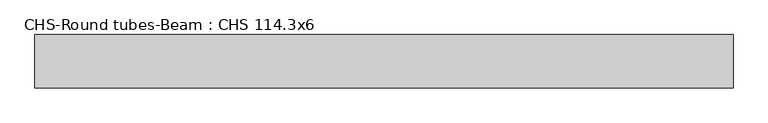
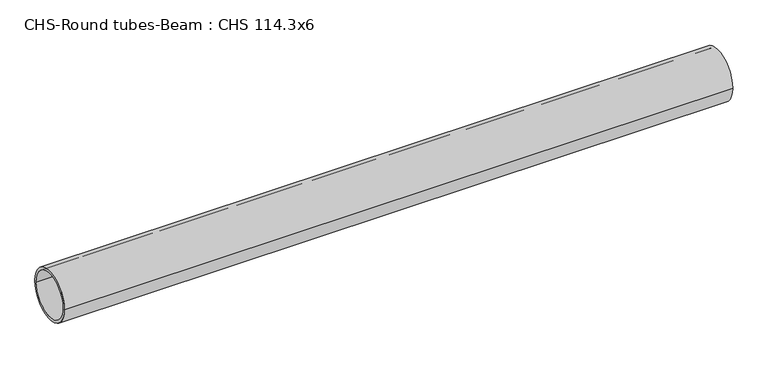
"""IFC4 building model written with IfcOpenShell, lengths in millimetres: beam geometry, CHS-Round tubes-Beam : CHS 114.3x6."""

from ifc_helpers import new_model, si_unit, point, frame, origin, origin_2d, place, context, project, spatial, circle_curve, trimmed, segment, composite_curve, outline, extrude, source, transform, mapped, element, save


def chs_round_tubes_beam_chs_114_3x6_97851ef9(model_context):
    return source(origin(), model_context, "Body", "SweptSolid", [
        extrude(outline(composite_curve([segment(trimmed(circle_curve(origin_2d(), 57.15), [point((57.15, 0.0))], [point((-57.15, 0.0))], False, "CARTESIAN"), True, "CONTINUOUS"), segment(trimmed(circle_curve(origin_2d(), 57.15), [point((-57.15, 0.0))], [point((57.15, 0.0))], False, "CARTESIAN"), True, "CONTINUOUS")], self_intersect=False), holes=[composite_curve([segment(trimmed(circle_curve(origin_2d(), 51.15), [point((51.15, 0.0))], [point((-51.15, 0.0))], True, "CARTESIAN"), True, "CONTINUOUS"), segment(trimmed(circle_curve(origin_2d(), 51.15), [point((-51.15, 0.0))], [point((51.15, 0.0))], True, "CARTESIAN"), True, "CONTINUOUS")], self_intersect=False)]), frame((-809.033528, 0.0, 0.0), z_axis=(1.0, 0.0, 0.0), x_axis=(0.0, 1.0, 0.0)), (0.0, 0.0, 1.0), 1497.9136505),
    ])


if __name__ == "__main__":
    model = new_model("IFC4")
    model_context = context("Model", 3, world=origin())
    ifc_project = project(units=[si_unit("LENGTHUNIT", "METRE", prefix="MILLI")], contexts=[model_context])
    site = spatial("IfcSite", under=ifc_project)
    building = spatial("IfcBuilding", under=site)
    placement = place(None, origin())
    chs_round_tubes_beam_chs_114_3x6_shape = chs_round_tubes_beam_chs_114_3x6_97851ef9(model_context)
    element("IfcBeam", 1, ObjectType="CHS-Round tubes-Beam : CHS 114.3x6", at=placement, inside=building, context=model_context, shape_type="MappedRepresentation", body=[
        mapped(chs_round_tubes_beam_chs_114_3x6_shape, transform((0.0, 0.0, 0.0), x_axis=(1.0, 0.0, 0.0), y_axis=(0.0, 1.0, 0.0), z_axis=(0.0, 0.0, 1.0))),
    ])
    save(model, "model.ifc")
